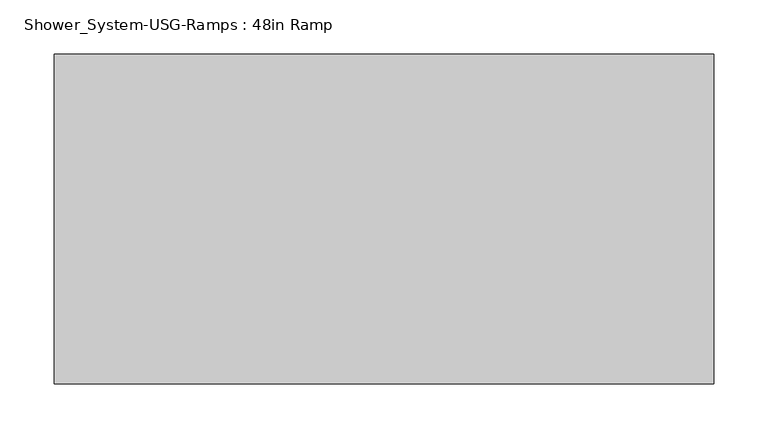
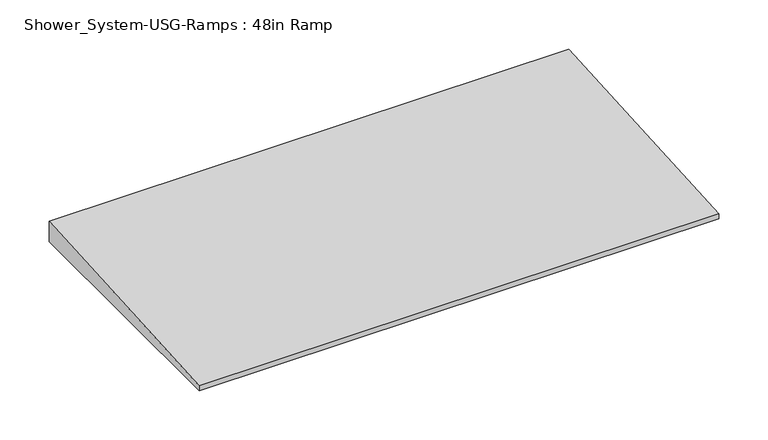
"""IFC4 building model written with IfcOpenShell, lengths in millimetres: proxy geometry, Shower_System-USG-Ramps : 48in Ramp."""

from ifc_helpers import new_model, si_unit, frame, origin, place, context, project, spatial, polyline, outline, extrude, source, transform, mapped, element, save


def shower_system_usg_ramps_48in_ramp_886afae3(model_context):
    return source(origin(), model_context, "Body", "SweptSolid", [
        extrude(outline(polyline([(-152.4, 6.35), (152.4, 25.4), (152.4, 0.0), (-152.4, 0.0), (-152.4, 6.35)])), frame((-304.8, 0.0, 0.0), z_axis=(1.0, 0.0, 0.0), x_axis=(0.0, 1.0, 0.0)), (0.0, 0.0, 1.0), 609.6),
    ])


if __name__ == "__main__":
    model = new_model("IFC4")
    model_context = context("Model", 3, world=origin())
    ifc_project = project(units=[si_unit("LENGTHUNIT", "METRE", prefix="MILLI")], contexts=[model_context])
    site = spatial("IfcSite", under=ifc_project)
    building = spatial("IfcBuilding", under=site)
    placement = place(None, origin())
    shower_system_usg_ramps_48in_ramp_shape = shower_system_usg_ramps_48in_ramp_886afae3(model_context)
    element("IfcBuildingElementProxy", 1, Name="Shower_System-USG-Ramps : 48in Ramp", ObjectType="Shower_System-USG-Ramps : 48in Ramp", at=placement, inside=building, context=model_context, shape_type="MappedRepresentation", body=[
        mapped(shower_system_usg_ramps_48in_ramp_shape, transform((0.0, 0.0, 0.0), x_axis=(1.0, 0.0, 0.0), y_axis=(0.0, 1.0, 0.0), z_axis=(0.0, 0.0, 1.0))),
    ])
    save(model, "model.ifc")
